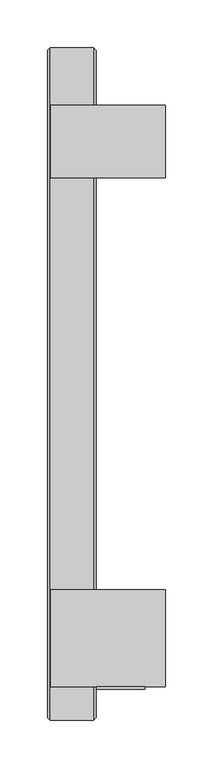
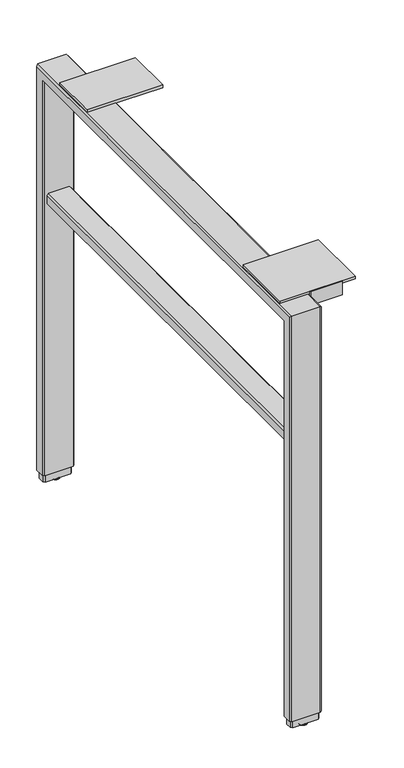
"""IFC4 building model written with IfcOpenShell, lengths in millimetres: furniture geometry."""

import ifcopenshell
import ifcopenshell.guid

model = None  # the IFC model being written
_history = None  # IfcOwnerHistory: only IFC2X3 demands one
_inside = {}  # id of a spatial element -> (the spatial element, [elements in it])
_under = {}  # id of a project, library or spatial element -> (it, [spatial elements below it])
_declared = {}  # id of a project -> (the project, [libraries it declares])
_typed = {}  # id of a type object -> (the type object, [elements of that type])
_made_of = {}  # id of a material, layer set ... -> (it, [elements and type objects made of it])


def new_model(schema):
    """Start an empty IFC model of exactly this schema.

    Asked for "IFC4X3", IfcOpenShell would pick the latest addendum, in which some entities
    have other attributes; the version numbers below select the first issue.
    IFC2X3 requires an IfcOwnerHistory on every rooted entity: one is made here for all.
    """
    global model, _history
    if schema == "IFC4X3":
        model = ifcopenshell.file(schema_version=(4, 3, 0, 0))
    else:
        model = ifcopenshell.file(schema=schema)
    _inside.clear()
    _under.clear()
    _declared.clear()
    _typed.clear()
    _made_of.clear()
    _history = None
    if model.schema == "IFC2X3":
        org = make("IfcOrganization", Name="unknown")
        user = make(
            "IfcPersonAndOrganization",
            ThePerson=make("IfcPerson", FamilyName="unknown"),
            TheOrganization=org,
        )
        app = make(
            "IfcApplication",
            ApplicationDeveloper=org,
            Version="unknown",
            ApplicationFullName="unknown",
            ApplicationIdentifier="unknown",
        )
        _history = make(
            "IfcOwnerHistory",
            OwningUser=user,
            OwningApplication=app,
            ChangeAction="ADDED",
            CreationDate=0,
        )
    return model


def make(cls, **values):
    """One entity of the class cls with the attributes given. An attribute that is None is left unset."""
    return model.create_entity(
        cls, **{name: value for name, value in values.items() if value is not None}
    )


def rooted(cls, **values):
    """An entity with a GlobalId (a new one), such as an element, a storey or a relation."""
    return make(cls, GlobalId=ifcopenshell.guid.new(), OwnerHistory=_history, **values)


def si_unit(unit_type, name, prefix=None):
    """IfcSIUnit, for example si_unit("LENGTHUNIT", "METRE", prefix="MILLI")."""
    return make("IfcSIUnit", UnitType=unit_type, Prefix=prefix, Name=name)


def assignment(units):
    """IfcUnitAssignment: the units of a project."""
    return None if units is None else make("IfcUnitAssignment", Units=units)


def point(xyz):
    """IfcCartesianPoint."""
    return None if xyz is None else make("IfcCartesianPoint", Coordinates=xyz)


def direction(xyz):
    """IfcDirection."""
    return None if xyz is None else make("IfcDirection", DirectionRatios=xyz)


def frame(location, z_axis=None, x_axis=None):
    """IfcAxis2Placement3D, a coordinate frame: its origin and axes. An axis left out is left unset."""
    return make(
        "IfcAxis2Placement3D",
        Location=point(location),
        Axis=direction(z_axis),
        RefDirection=direction(x_axis),
    )


def origin():
    """The frame at (0, 0, 0) with its axes left unset."""
    return frame((0.0, 0.0, 0.0))


def place(relative_to, where):
    """IfcLocalPlacement: puts the frame where relative to a parent placement (None: the world)."""
    return make(
        "IfcLocalPlacement", PlacementRelTo=relative_to, RelativePlacement=where
    )


def context(
    kind, dimensions, precision=None, world=None, true_north=None, identifier=None
):
    """IfcGeometricRepresentationContext, for example the 3D "Model" context."""
    return make(
        "IfcGeometricRepresentationContext",
        ContextIdentifier=identifier,
        ContextType=kind,
        CoordinateSpaceDimension=dimensions,
        Precision=precision,
        WorldCoordinateSystem=world,
        TrueNorth=true_north,
    )


def project(units=None, contexts=None):
    """IfcProject with its units and contexts."""
    return rooted(
        "IfcProject",
        Name="project",
        RepresentationContexts=contexts,
        UnitsInContext=assignment(units),
    )


def spatial(cls, under=None, at=None, **own):
    """A site, building, storey or space (cls), placed at a placement, below another one or the project."""
    s = rooted(cls, ObjectPlacement=at, **own)
    if under is not None:
        _under.setdefault(under.id(), (under, []))[1].append(s)
    return s


def polyline(points):
    """IfcPolyline through the points."""
    return make("IfcPolyline", Points=[point(p) for p in points])


def circle_curve(where, radius):
    """IfcCircle in the frame where."""
    return make("IfcCircle", Position=where, Radius=radius)


def ellipse_curve(where, semi_axis1, semi_axis2):
    """IfcEllipse in the frame where."""
    return make(
        "IfcEllipse", Position=where, SemiAxis1=semi_axis1, SemiAxis2=semi_axis2
    )


def trimmed(basis, trim1, trim2, sense, master):
    """IfcTrimmedCurve: the piece of a basis curve between two trims."""
    return make(
        "IfcTrimmedCurve",
        BasisCurve=basis,
        Trim1=trim1,
        Trim2=trim2,
        SenseAgreement=sense,
        MasterRepresentation=master,
    )


def outline(outer, holes=None, kind="AREA"):
    """IfcArbitraryClosedProfileDef: a profile drawn as a closed curve; with holes, ...WithVoids."""
    if holes is None:
        return make("IfcArbitraryClosedProfileDef", ProfileType=kind, OuterCurve=outer)
    return make(
        "IfcArbitraryProfileDefWithVoids",
        ProfileType=kind,
        OuterCurve=outer,
        InnerCurves=holes,
    )


def extrude(swept, where, along, depth):
    """IfcExtrudedAreaSolid: the profile swept, set in the frame where, extruded along a direction by depth."""
    return make(
        "IfcExtrudedAreaSolid",
        SweptArea=swept,
        Position=where,
        ExtrudedDirection=direction(along),
        Depth=depth,
    )


def faces_of(points, faces, orient=None, outer=None):
    """IfcFace entities. A face is a list of loops; a loop is a list of indices into points, from 0.

    orient and outer hold one flag for each loop. By default every Orientation is true, the
    first loop of a face is its IfcFaceOuterBound and the others are IfcFaceBound.
    """
    made = []
    for i, loops in enumerate(faces):
        bounds = []
        for j, loop in enumerate(loops):
            is_outer = j == 0 if outer is None else outer[i][j]
            bounds.append(
                make(
                    "IfcFaceOuterBound" if is_outer else "IfcFaceBound",
                    Bound=make("IfcPolyLoop", Polygon=[points[k] for k in loop]),
                    Orientation=True if orient is None else orient[i][j],
                )
            )
        made.append(make("IfcFace", Bounds=bounds))
    return made


def faceted_brep(points, faces, orient=None, outer=None, voids=None):
    """IfcFacetedBrep: a solid bounded by flat faces; with voids (closed shells), ...WithVoids."""
    shared = [point(p) for p in points]
    hull = make("IfcClosedShell", CfsFaces=faces_of(shared, faces, orient, outer))
    if voids is None:
        return make("IfcFacetedBrep", Outer=hull)
    return make(
        "IfcFacetedBrepWithVoids",
        Outer=hull,
        Voids=[
            make(cls, CfsFaces=faces_of(shared, fs, o, b)) for cls, fs, o, b in voids
        ],
    )


def shape(context_of_items, identifier, shape_type, items):
    """IfcShapeRepresentation: the items that make up one representation, for example the "Body"."""
    return make(
        "IfcShapeRepresentation",
        ContextOfItems=context_of_items,
        RepresentationIdentifier=identifier,
        RepresentationType=shape_type,
        Items=items,
    )


def source(mapping_origin, context_of_items, identifier, shape_type, items):
    """IfcRepresentationMap: a shape defined once, which mapped items show again and again."""
    return make(
        "IfcRepresentationMap",
        MappingOrigin=mapping_origin,
        MappedRepresentation=shape(context_of_items, identifier, shape_type, items),
    )


def transform(
    local_origin,
    x_axis=None,
    y_axis=None,
    z_axis=None,
    scale=None,
    scale2=None,
    scale3=None,
    uniform=True,
):
    """IfcCartesianTransformationOperator3D, or its non-uniform kind. x_axis, y_axis, z_axis: its Axis1, 2, 3."""
    if uniform:
        return make(
            "IfcCartesianTransformationOperator3D",
            Axis1=direction(x_axis),
            Axis2=direction(y_axis),
            LocalOrigin=point(local_origin),
            Scale=scale,
            Axis3=direction(z_axis),
        )
    return make(
        "IfcCartesianTransformationOperator3DnonUniform",
        Axis1=direction(x_axis),
        Axis2=direction(y_axis),
        LocalOrigin=point(local_origin),
        Scale=scale,
        Axis3=direction(z_axis),
        Scale2=scale2,
        Scale3=scale3,
    )


def mapped(mapping_source, mapping_target):
    """IfcMappedItem: shows the shape of a source again, moved by a transform."""
    return make(
        "IfcMappedItem", MappingSource=mapping_source, MappingTarget=mapping_target
    )


def made_of(thing, what):
    """Note that an element or type object is made of a material, layer set ...; save() writes the relation."""
    if what is not None:
        _made_of.setdefault(what.id(), (what, []))[1].append(thing)
    return thing


def element(
    cls,
    number,
    at=None,
    inside=None,
    cuts=None,
    type_object=None,
    material=None,
    context=None,
    identifier="Body",
    shape_type=None,
    held_by="IfcProductDefinitionShape",
    body=None,
    shapes=None,
    **own,
):
    """One element of the class cls, such as IfcWall. Its Tag is "e" and its number.

    at: its placement. inside: the storey or other place that contains it. cuts: it is an
    opening in that element (IfcRelVoidsElement). A single representation is given by context,
    identifier, shape_type and body (its items); several are given by shapes. held_by: the class
    of the entity that holds the representations. save() writes the other relations.
    """
    e = rooted(cls, Tag="e%d" % number, ObjectPlacement=at, **own)
    if body is not None:
        shapes = [shape(context, identifier, shape_type, body)]
    if shapes is not None:
        e.Representation = make(held_by, Representations=shapes)
    if inside is not None:
        _inside.setdefault(inside.id(), (inside, []))[1].append(e)
    if cuts is not None:
        rooted(
            "IfcRelVoidsElement", RelatingBuildingElement=cuts, RelatedOpeningElement=e
        )
    if type_object is not None:
        _typed.setdefault(type_object.id(), (type_object, []))[1].append(e)
    return made_of(e, material)


def aggregate(whole, parts):
    """IfcRelAggregates: a whole, such as a stair, and the parts it consists of."""
    return rooted("IfcRelAggregates", RelatingObject=whole, RelatedObjects=parts)


def save(model, path):
    """Write the relations noted so far, then the file.

    IfcRelAggregates (storeys below a building ...), IfcRelContainedInSpatialStructure (elements
    in a storey), IfcRelDefinesByType, IfcRelAssociatesMaterial and IfcRelDeclares: one each for
    every whole, place, type object, material and project.
    """
    for whole, parts in _under.values():
        aggregate(whole, parts)
    for where, things in _inside.values():
        rooted(
            "IfcRelContainedInSpatialStructure",
            RelatedElements=things,
            RelatingStructure=where,
        )
    for kind, things in _typed.values():
        rooted("IfcRelDefinesByType", RelatedObjects=things, RelatingType=kind)
    for what, things in _made_of.values():
        rooted("IfcRelAssociatesMaterial", RelatedObjects=things, RelatingMaterial=what)
    for by, libraries in _declared.values():
        rooted("IfcRelDeclares", RelatingContext=by, RelatedDefinitions=libraries)
    model.write(path)


def plane_surface(at):
    """IfcPlane: the flat surface through the origin of the frame at, square to its z axis."""
    return make("IfcPlane", Position=at)


def cylinder_surface(at, radius):
    """IfcCylindricalSurface: all points at the distance radius from the z axis of the frame at."""
    return make("IfcCylindricalSurface", Position=at, Radius=radius)


def revolved_surface(curve, axis_point, axis_direction):
    """IfcSurfaceOfRevolution: the curve turned about the line through axis_point along axis_direction."""
    return make(
        "IfcSurfaceOfRevolution",
        SweptCurve=make("IfcArbitraryOpenProfileDef", ProfileType="CURVE", Curve=curve),
        AxisPosition=make("IfcAxis1Placement", Location=point(axis_point), Axis=direction(axis_direction)),
    )


def advanced_brep(points, edges, surfaces, faces):
    """IfcAdvancedBrep: a solid bounded by faces that lie on surfaces and meet in shared edges.

    An edge is (start, end): straight between two places in points (the first is 0);
    or (start, end, curve); or (start, end, curve, False) where it runs against its curve.
    A face is (place in surfaces, loops), or (place, loops, False) where it looks against
    its surface's normal. A loop lists edges by number (the first is 1), with a minus sign
    where the edge is run from its end to its start. The first loop is the outer one.
    """
    corners = [point(p) for p in points]
    vertices = [make("IfcVertexPoint", VertexGeometry=c) for c in corners]
    made = []
    for start, end, *more in edges:
        made.append(
            make(
                "IfcEdgeCurve",
                EdgeStart=vertices[start],
                EdgeEnd=vertices[end],
                EdgeGeometry=more[0] if more else make("IfcPolyline", Points=[corners[start], corners[end]]),
                SameSense=more[1] if len(more) > 1 else True,
            )
        )
    hull = []
    for where, loops, *sense in faces:
        bounds = []
        for j, loop in enumerate(loops):
            ring = [make("IfcOrientedEdge", EdgeElement=made[abs(k) - 1], Orientation=k > 0) for k in loop]
            bounds.append(
                make(
                    "IfcFaceOuterBound" if j == 0 else "IfcFaceBound",
                    Bound=make("IfcEdgeLoop", EdgeList=ring),
                    Orientation=True,
                )
            )
        hull.append(make("IfcAdvancedFace", Bounds=bounds, FaceSurface=surfaces[where], SameSense=sense[0] if sense else True))
    return make("IfcAdvancedBrep", Outer=make("IfcClosedShell", CfsFaces=hull))


def furniture_8e624555(model_context):
    return source(origin(), model_context, "Body", "SolidModel", [
        faceted_brep([(-713.738802, -421.6087799, 16.51), (-711.1994, -424.1487775, 16.51), (-711.1994, -438.1187823, 16.51), (-713.738802, -440.6587799, 16.51), (-759.458801, -440.6587799, 16.51), (-761.998801, -438.1187823, 16.51), (-761.998801, -424.1487775, 16.51), (-759.458801, -421.6087799, 16.51), (-711.1994, -424.1487775, 686.1556198), (-711.1994, 247.9860177, 686.1556198), (-711.1994, 247.9860177, 16.51), (-711.1994, 261.9560225, 16.51), (-711.1994, 261.9560225, 700.1256246), (-711.1994, -438.1187823, 700.1256246), (-713.738802, -440.6587799, 702.6656222), (-759.458801, -440.6587799, 702.6656222), (-761.998801, -438.1187823, 700.1256246), (-761.998801, 261.9560225, 700.1256246), (-761.998801, 261.9560225, 16.51), (-761.998801, 247.9860177, 16.51), (-761.998801, 247.9860177, 686.1556198), (-761.998801, -424.1487775, 686.1556198), (-759.458801, -421.6087799, 683.6156222), (-713.738802, -421.6087799, 683.6156222), (-713.738802, 264.4960201, 702.6656222), (-759.458801, 264.4960201, 702.6656222), (-759.458801, 245.4460201, 683.6156222), (-713.738802, 245.4460201, 683.6156222), (-713.738802, 264.4960201, 16.51), (-759.458801, 264.4960201, 16.51), (-759.458801, 245.4460201, 16.51), (-713.738802, 245.4460201, 16.51)], [[[0, 1, 2, 3, 4, 5, 6, 7]], [[2, 1, 8, 9, 10, 11, 12, 13]], [[4, 3, 14, 15]], [[6, 5, 16, 17, 18, 19, 20, 21]], [[0, 7, 22, 23]], [[15, 14, 24, 25]], [[23, 22, 26, 27]], [[25, 24, 28, 29]], [[27, 26, 30, 31]], [[31, 30, 19, 18, 29, 28, 11, 10]], [[1, 0, 23, 8]], [[3, 2, 13, 14]], [[5, 4, 15, 16]], [[7, 6, 21, 22]], [[8, 23, 27, 9]], [[14, 13, 12, 24]], [[16, 15, 25, 17]], [[22, 21, 20, 26]], [[9, 27, 31, 10]], [[24, 12, 11, 28]], [[17, 25, 29, 18]], [[26, 20, 19, 30]]]),
        extrude(outline(polyline([(-408.0197799, 684.5046222), (-408.0197799, 707.0090222), (-405.7337799, 707.0090222), (-405.7337799, 688.8480222), (-384.6517799, 688.8480222), (-384.6517799, 684.5046222), (-408.0197799, 684.5046222)])), frame((-710.563801, 0.0, 0.0), z_axis=(1.0, 0.0, 0.0), x_axis=(0.0, 1.0, 0.0)), (0.0, 0.0, 1.0), 50.8),
        advanced_brep(
        [(-731.5193954, 254.9710201, 0.0), (-741.6793993, 254.9710201, 0.0), (-736.5993974, 254.9710201, 0.0), (-736.5993974, 254.9710201, 3.8100001), (-743.2220422, 254.9710201, 3.8100001), (-729.9767525, 254.9710201, 3.8100001), (-743.7113974, 254.9710201, 3.183654), (-729.4873973, 254.9710201, 3.183654), (-743.7113974, 254.9710201, 2.032), (-729.4873973, 254.9710201, 2.032)],
        [
            (0, 1, circle_curve(frame((-736.5993974, 254.9710201, 0.0), z_axis=(0.0, 0.0, -1.0), x_axis=(-1.0, 0.0, 0.0)), 5.080002)),
            (1, 2),
            (2, 0),
            (1, 0, circle_curve(frame((-736.5993974, 254.9710201, 0.0), z_axis=(0.0, 0.0, -1.0), x_axis=(-1.0, 0.0, 0.0)), 5.080002)),
            (3, 4),
            (4, 5, circle_curve(frame((-736.5993974, 254.9710201, 3.8100001), z_axis=(0.0, 0.0, 1.0), x_axis=(-1.0, 0.0, 0.0)), 6.6226448)),
            (5, 3),
            (5, 4, circle_curve(frame((-736.5993974, 254.9710201, 3.8100001), z_axis=(0.0, 0.0, 1.0), x_axis=(-1.0, 0.0, 0.0)), 6.6226448)),
            (4, 6),
            (6, 7, circle_curve(frame((-736.5993974, 254.9710201, 3.183654), z_axis=(0.0, 0.0, 1.0), x_axis=(-1.0, 0.0, 0.0)), 7.112)),
            (7, 5),
            (7, 6, circle_curve(frame((-736.5993974, 254.9710201, 3.183654), z_axis=(0.0, 0.0, 1.0), x_axis=(-1.0, 0.0, 0.0)), 7.112)),
            (6, 8),
            (8, 9, circle_curve(frame((-736.5993974, 254.9710201, 2.032), z_axis=(0.0, 0.0, 1.0), x_axis=(-1.0, 0.0, 0.0)), 7.112)),
            (9, 7),
            (9, 8, circle_curve(frame((-736.5993974, 254.9710201, 2.032), z_axis=(0.0, 0.0, 1.0), x_axis=(-1.0, 0.0, 0.0)), 7.112)),
            (8, 1, circle_curve(frame((-740.2425579, 254.9710201, 3.4688381), z_axis=(0.0, -1.0, 0.0), x_axis=(-1.0, 0.0, 0.0)), 3.7546439)),
            (0, 9, circle_curve(frame((-732.9562368, 254.9710201, 3.4688381), z_axis=(0.0, -1.0, 0.0), x_axis=(1.0, 0.0, 0.0)), 3.7546439)),
        ],
        [
            plane_surface(frame((-736.5993974, 254.9710201, 0.0), z_axis=(0.0, 0.0, -1.0), x_axis=(-1.0, 0.0, 0.0))),
            plane_surface(frame((-736.5993974, 254.9710201, 3.8100001), z_axis=(0.0, 0.0, 1.0), x_axis=(-1.0, 0.0, 0.0))),
            revolved_surface(polyline([(-743.7113974, 254.9710201, 3.183654), (-743.2220422, 254.9710201, 3.8100001)]), (-736.5993974, 254.9710201, -2.6032322), (0.0, 0.0, 1.0)),
            cylinder_surface(frame((-736.5993974, 254.9710201, -2.6032322), z_axis=(0.0, 0.0, 1.0), x_axis=(-1.0, 0.0, 0.0)), 7.112),
            revolved_surface(trimmed(ellipse_curve(frame((-740.2425579, 254.9710201, 3.4688381), z_axis=(0.0, 1.0, 0.0), x_axis=(-1.0, 0.0, 0.0)), 3.7546439, 3.7546439), [point((-741.6793993, 254.9710201, 0.0))], [point((-743.7113974, 254.9710201, 2.032))], True, "CARTESIAN"), (-736.5993974, 254.9710201, -2.6032322), (0.0, 0.0, 1.0)),
        ],
        [
            (0, [[1, 2, 3]]),
            (0, [[4, -3, -2]]),
            (1, [[5, 6, 7]]),
            (1, [[-7, 8, -5]]),
            (2, [[-6, 9, 10, 11]]),
            (2, [[-8, -11, 12, -9]]),
            (3, [[-10, 13, 14, 15]]),
            (3, [[-12, -15, 16, -13]]),
            (4, [[-14, 17, -1, 18]]),
            (4, [[-16, -18, -4, -17]]),
        ],
    ),
        extrude(outline(polyline([(-638.173801, -304.1337799), (-638.173801, -405.7337799), (-758.823801, -405.7337799), (-758.823801, -304.1337799), (-638.173801, -304.1337799)])), frame((0.0, 0.0, 702.6656222), z_axis=(0.0, 0.0, 1.0), x_axis=(1.0, 0.0, 0.0)), (0.0, 0.0, 1.0), 4.3434),
        extrude(outline(polyline([(-638.173801, 204.1710201), (-638.173801, 127.9710201), (-758.823801, 127.9710201), (-758.823801, 204.1710201), (-638.173801, 204.1710201)])), frame((0.0, 0.0, 702.6656222), z_axis=(0.0, 0.0, 1.0), x_axis=(1.0, 0.0, 0.0)), (0.0, 0.0, 1.0), 4.3434),
        extrude(outline(polyline([(476.5039908, -755.6487993), (473.9639932, -753.1088017), (473.9639932, -720.0887986), (476.5039908, -717.548801), (490.4739956, -717.548801), (493.0139932, -720.0887986), (493.0139932, -753.1087989), (490.4739928, -755.6487993), (476.5039908, -755.6487993)])), frame((0.0, -421.6087799, 0.0), z_axis=(0.0, 1.0, 0.0), x_axis=(0.0, 0.0, 1.0)), (0.0, 0.0, 1.0), 667.0548),
        advanced_brep(
        [(-731.5193954, -431.1337799, 0.0), (-741.6793993, -431.1337799, 0.0), (-736.5993974, -431.1337799, 0.0), (-736.5993974, -431.1337799, 3.8100001), (-743.2220422, -431.1337799, 3.8100001), (-729.9767525, -431.1337799, 3.8100001), (-743.7113974, -431.1337799, 3.183654), (-729.4873973, -431.1337799, 3.183654), (-743.7113974, -431.1337799, 2.032), (-729.4873973, -431.1337799, 2.032)],
        [
            (0, 1, circle_curve(frame((-736.5993974, -431.1337799, 0.0), z_axis=(0.0, 0.0, -1.0), x_axis=(-1.0, 0.0, 0.0)), 5.080002)),
            (1, 2),
            (2, 0),
            (1, 0, circle_curve(frame((-736.5993974, -431.1337799, 0.0), z_axis=(0.0, 0.0, -1.0), x_axis=(-1.0, 0.0, 0.0)), 5.080002)),
            (3, 4),
            (4, 5, circle_curve(frame((-736.5993974, -431.1337799, 3.8100001), z_axis=(0.0, 0.0, 1.0), x_axis=(-1.0, 0.0, 0.0)), 6.6226448)),
            (5, 3),
            (5, 4, circle_curve(frame((-736.5993974, -431.1337799, 3.8100001), z_axis=(0.0, 0.0, 1.0), x_axis=(-1.0, 0.0, 0.0)), 6.6226448)),
            (4, 6),
            (6, 7, circle_curve(frame((-736.5993974, -431.1337799, 3.183654), z_axis=(0.0, 0.0, 1.0), x_axis=(-1.0, 0.0, 0.0)), 7.112)),
            (7, 5),
            (7, 6, circle_curve(frame((-736.5993974, -431.1337799, 3.183654), z_axis=(0.0, 0.0, 1.0), x_axis=(-1.0, 0.0, 0.0)), 7.112)),
            (6, 8),
            (8, 9, circle_curve(frame((-736.5993974, -431.1337799, 2.032), z_axis=(0.0, 0.0, 1.0), x_axis=(-1.0, 0.0, 0.0)), 7.112)),
            (9, 7),
            (9, 8, circle_curve(frame((-736.5993974, -431.1337799, 2.032), z_axis=(0.0, 0.0, 1.0), x_axis=(-1.0, 0.0, 0.0)), 7.112)),
            (8, 1, circle_curve(frame((-740.2425579, -431.1337799, 3.4688381), z_axis=(0.0, -1.0, 0.0), x_axis=(-1.0, 0.0, 0.0)), 3.7546439)),
            (0, 9, circle_curve(frame((-732.9562368, -431.1337799, 3.4688381), z_axis=(0.0, -1.0, 0.0), x_axis=(1.0, 0.0, 0.0)), 3.7546439)),
        ],
        [
            plane_surface(frame((-736.5993974, -431.1337799, 0.0), z_axis=(0.0, 0.0, -1.0), x_axis=(-1.0, 0.0, 0.0))),
            plane_surface(frame((-736.5993974, -431.1337799, 3.8100001), z_axis=(0.0, 0.0, 1.0), x_axis=(-1.0, 0.0, 0.0))),
            revolved_surface(polyline([(-743.7113974, -431.1337799, 3.183654), (-743.2220422, -431.1337799, 3.8100001)]), (-736.5993974, -431.1337799, -2.6032322), (0.0, 0.0, 1.0)),
            cylinder_surface(frame((-736.5993974, -431.1337799, -2.6032322), z_axis=(0.0, 0.0, 1.0), x_axis=(-1.0, 0.0, 0.0)), 7.112),
            revolved_surface(trimmed(ellipse_curve(frame((-740.2425579, -431.1337799, 3.4688381), z_axis=(0.0, 1.0, 0.0), x_axis=(-1.0, 0.0, 0.0)), 3.7546439, 3.7546439), [point((-741.6793993, -431.1337799, 0.0))], [point((-743.7113974, -431.1337799, 2.032))], True, "CARTESIAN"), (-736.5993974, -431.1337799, -2.6032322), (0.0, 0.0, 1.0)),
        ],
        [
            (0, [[1, 2, 3]]),
            (0, [[4, -3, -2]]),
            (1, [[5, 6, 7]]),
            (1, [[-7, 8, -5]]),
            (2, [[-6, 9, 10, 11]]),
            (2, [[-8, -11, 12, -9]]),
            (3, [[-10, 13, 14, 15]]),
            (3, [[-12, -15, 16, -13]]),
            (4, [[-14, 17, -1, 18]]),
            (4, [[-16, -18, -4, -17]]),
        ],
    ),
        extrude(outline(polyline([(-757.0458011, -424.0217867), (-716.1523987, -424.0217867), (-713.6118022, -426.5617843), (-713.6118022, -435.7057756), (-716.1523987, -438.2457731), (-757.0458011, -438.2457731), (-759.5858009, -435.7057756), (-759.5858009, -426.5617843), (-757.0458011, -424.0217867)])), frame((0.0, 0.0, 3.8100001), z_axis=(0.0, 0.0, 1.0), x_axis=(1.0, 0.0, 0.0)), (0.0, 0.0, 1.0), 12.6999999),
        extrude(outline(polyline([(-757.0458011, 262.0830201), (-716.1523987, 262.0830201), (-713.6118022, 259.5430225), (-713.6118022, 250.3990312), (-716.1523987, 247.8590336), (-757.0458011, 247.8590336), (-759.5858009, 250.3990312), (-759.5858009, 259.5430225), (-757.0458011, 262.0830201)])), frame((0.0, 0.0, 3.8100001), z_axis=(0.0, 0.0, 1.0), x_axis=(1.0, 0.0, 0.0)), (0.0, 0.0, 1.0), 12.6999999),
    ])


if __name__ == "__main__":
    model = new_model("IFC4")
    model_context = context("Model", 3, world=origin())
    ifc_project = project(units=[si_unit("LENGTHUNIT", "METRE", prefix="MILLI")], contexts=[model_context])
    site = spatial("IfcSite", under=ifc_project)
    building = spatial("IfcBuilding", under=site)
    placement = place(None, origin())
    furniture_shape = furniture_8e624555(model_context)
    element("IfcFurniture", 1, at=placement, inside=building, context=model_context, shape_type="MappedRepresentation", body=[
        mapped(furniture_shape, transform((0.0, 0.0, 0.0), x_axis=(1.0, 0.0, 0.0), y_axis=(0.0, 1.0, 0.0), z_axis=(0.0, 0.0, 1.0))),
    ])
    save(model, "model.ifc")
